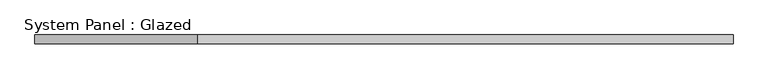
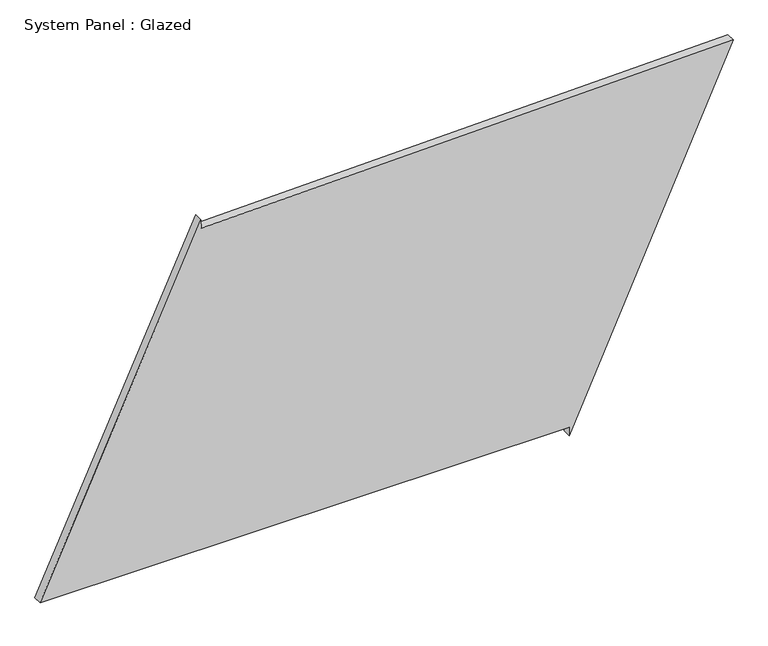
"""IFC4 building model written with IfcOpenShell, lengths in millimetres: plate geometry, System Panel : Glazed."""

from ifc_helpers import new_model, si_unit, frame, origin, place, context, project, spatial, polyline, outline, extrude, source, transform, mapped, element, save


def system_panel_glazed_c7f2edaf(model_context):
    return source(origin(), model_context, "Body", "SweptSolid", [
        extrude(outline(polyline([(25.0, 517.1125887), (0.0, 517.1125887), (1022.5912058, 981.5650598), (986.5118817, -524.9882879), (1011.5047158, -525.5868227), (25.0, -981.5650598), (25.0, 517.1125887)])), frame((0.0, -49.5, 0.0), z_axis=(0.0, 1.0, 0.0), x_axis=(0.0, 0.0, 1.0)), (0.0, 0.0, 1.0), 25.0),
    ])


if __name__ == "__main__":
    model = new_model("IFC4")
    model_context = context("Model", 3, world=origin())
    ifc_project = project(units=[si_unit("LENGTHUNIT", "METRE", prefix="MILLI")], contexts=[model_context])
    site = spatial("IfcSite", under=ifc_project)
    building = spatial("IfcBuilding", under=site)
    placement = place(None, origin())
    system_panel_glazed_shape = system_panel_glazed_c7f2edaf(model_context)
    element("IfcPlate", 1, ObjectType="System Panel : Glazed", at=placement, inside=building, context=model_context, shape_type="MappedRepresentation", body=[
        mapped(system_panel_glazed_shape, transform((0.0, 0.0, 0.0), x_axis=(1.0, 0.0, 0.0), y_axis=(0.0, 1.0, 0.0), z_axis=(0.0, 0.0, 1.0))),
    ])
    save(model, "model.ifc")
